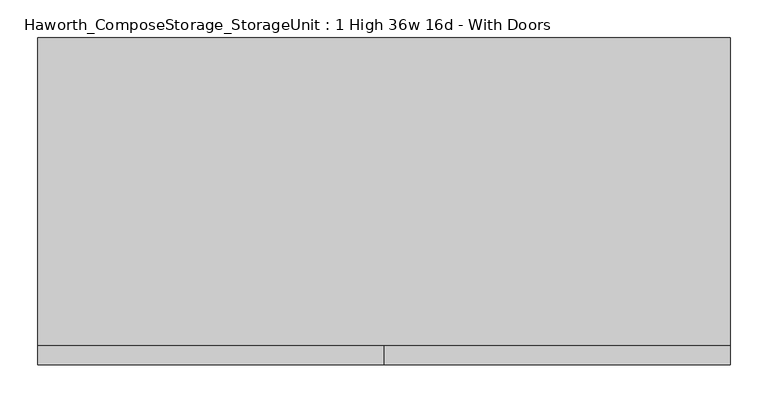
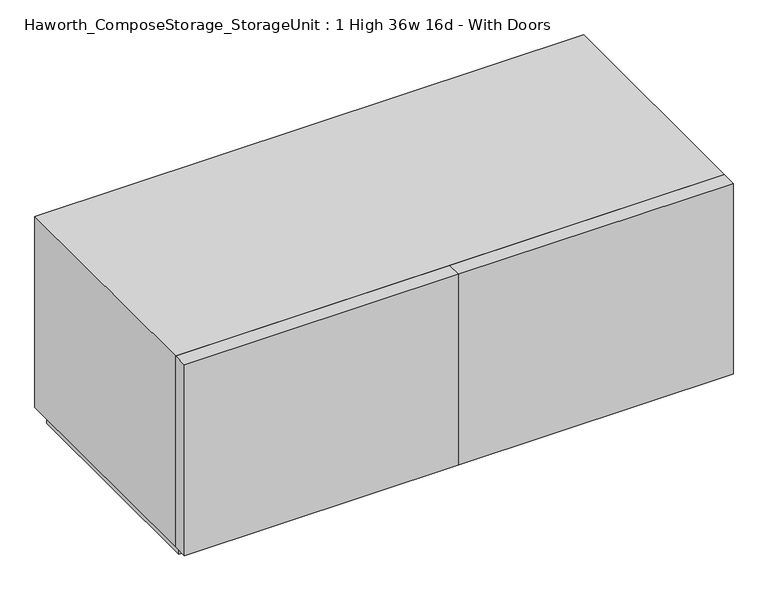
"""IFC4 building model written with IfcOpenShell, lengths in millimetres: furniture geometry, Haworth_ComposeStorage_StorageUnit : 1 High 36w 16d - With Doors."""

from ifc_helpers import new_model, si_unit, frame, origin, origin_with_axes, place, context, project, spatial, polyline, outline, extrude, source, transform, mapped, element, save


def haworth_composestorage_storageunit_1_high_36w_16d_with_doors_c9fca4f3(model_context):
    return source(origin(), model_context, "Body", "SweptSolid", [
        extrude(outline(polyline([(0.0138906, -177.8), (0.0138906, -152.4), (457.2138906, -152.4), (457.2138906, -177.8), (0.0138906, -177.8)])), frame((0.0, 0.0, 25.4), z_axis=(0.0, 0.0, 1.0), x_axis=(1.0, 0.0, 0.0)), (0.0, 0.0, 1.0), 336.55),
        extrude(outline(polyline([(0.0138906, -177.8), (-457.1861094, -177.8), (-457.1861094, -152.4), (0.0138906, -152.4), (0.0138906, -177.8)])), frame((0.0, 0.0, 25.4), z_axis=(0.0, 0.0, 1.0), x_axis=(1.0, 0.0, 0.0)), (0.0, 0.0, 1.0), 336.55),
        extrude(outline(polyline([(25.4, -457.1861094), (25.4, 457.2138906), (361.95, 457.2138906), (361.95, -457.1861094), (25.4, -457.1861094)]), holes=[polyline([(44.45, -438.1361094), (342.9, -438.1361094), (342.9, 438.1569453), (44.45, 438.1569453), (44.45, -438.1361094)])]), frame((0.0, -152.4, 0.0), z_axis=(0.0, 1.0, 0.0), x_axis=(0.0, 0.0, 1.0)), (0.0, 0.0, 1.0), 406.4),
        extrude(outline(polyline([(-438.1291641, 219.075), (-438.1291641, 228.6), (438.1569453, 228.6), (438.1569453, 219.075), (-438.1291641, 219.075)])), frame((0.0, 0.0, 44.45), z_axis=(0.0, 0.0, 1.0), x_axis=(1.0, 0.0, 0.0)), (0.0, 0.0, 1.0), 298.45),
        extrude(outline(polyline([(444.5138906, -139.7), (-444.4861094, -139.7), (-444.4861094, 241.3), (444.5138906, 241.3), (444.5138906, -139.7)])), origin_with_axes(), (0.0, 0.0, 1.0), 25.4),
    ])


if __name__ == "__main__":
    model = new_model("IFC4")
    model_context = context("Model", 3, world=origin())
    ifc_project = project(units=[si_unit("LENGTHUNIT", "METRE", prefix="MILLI")], contexts=[model_context])
    site = spatial("IfcSite", under=ifc_project)
    building = spatial("IfcBuilding", under=site)
    placement = place(None, origin())
    haworth_composestorage_storageunit_1_high_36w_16d_with_doors_shape = haworth_composestorage_storageunit_1_high_36w_16d_with_doors_c9fca4f3(model_context)
    element("IfcFurniture", 1, ObjectType="Haworth_ComposeStorage_StorageUnit : 1 High 36w 16d - With Doors", at=placement, inside=building, context=model_context, shape_type="MappedRepresentation", body=[
        mapped(haworth_composestorage_storageunit_1_high_36w_16d_with_doors_shape, transform((0.0, 0.0, 0.0), x_axis=(1.0, 0.0, 0.0), y_axis=(0.0, 1.0, 0.0), z_axis=(0.0, 0.0, 1.0))),
    ])
    save(model, "model.ifc")
